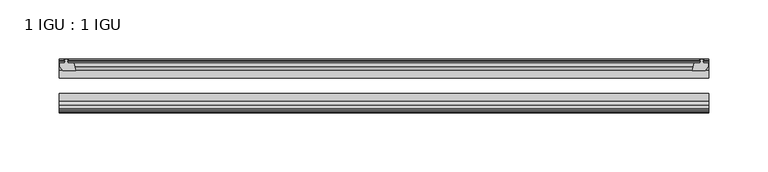
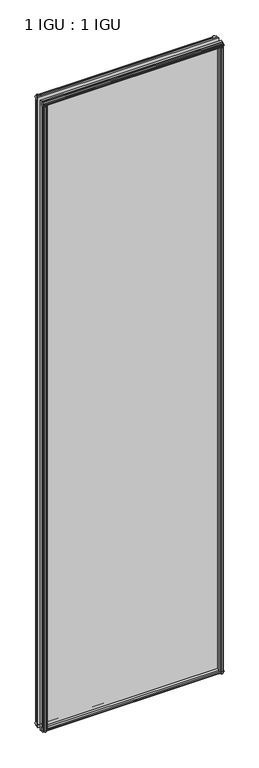
"""IFC4 building model written with IfcOpenShell, lengths in millimetres: plate geometry, 1 IGU : 1 IGU."""

from ifc_helpers import new_model, si_unit, frame, origin, place, context, project, spatial, polyline, outline, extrude, source, transform, mapped, element, save


def plate_1_igu_1_igu_7bb10c15(model_context):
    return source(origin(), model_context, "Body", "SweptSolid", [
        extrude(outline(polyline([(265.8155909, -10.4746158), (267.99312, -9.7670938), (270.170649, -10.4746158), (270.170649, -11.27583), (268.75512, -10.8158968), (269.13612, -13.1960938), (273.58112, -13.1960938), (273.58112, -16.1424938), (270.7467778, -19.5460938), (259.9254019, -19.5460938), (261.64312, -13.1960938), (266.85012, -13.1960938), (267.23112, -10.8158968), (265.8155909, -11.27583), (265.8155909, -10.4746158)])), frame((0.0, 0.0, -12.4587), z_axis=(0.0, 0.0, 1.0), x_axis=(1.0, 0.0, 0.0)), (0.0, 0.0, 1.0), 2018.8173999),
        extrude(outline(polyline([(-267.99312, -9.7670937), (-265.8155909, -10.4746158), (-265.8155909, -11.27583), (-267.23112, -10.8158968), (-266.85012, -13.1960937), (-261.64312, -13.1960937), (-259.9254019, -19.5460937), (-270.7467778, -19.5460937), (-273.58112, -16.1424937), (-273.58112, -13.1960937), (-269.13612, -13.1960937), (-268.75512, -10.8158968), (-270.170649, -11.27583), (-270.170649, -10.4746158), (-267.99312, -9.7670937)])), frame((0.0, 0.0, -12.4587), z_axis=(0.0, 0.0, 1.0), x_axis=(1.0, 0.0, 0.0)), (0.0, 0.0, 1.0), 2018.8173999),
        extrude(outline(polyline([(259.4080039, -44.9460938), (270.2293798, -44.9460938), (273.0637219, -48.3496938), (273.0637219, -51.2960938), (268.6187219, -51.2960938), (268.2377219, -53.6762907), (269.653251, -53.2163575), (269.653251, -54.0175717), (267.4757219, -54.7250938), (265.2981929, -54.0175717), (265.2981929, -53.2163575), (266.7137219, -53.6762907), (266.3327219, -51.2960938), (261.1257219, -51.2960938), (259.4080039, -44.9460938)])), frame((0.0, 0.0, -12.4587), z_axis=(0.0, 0.0, 1.0), x_axis=(1.0, 0.0, 0.0)), (0.0, 0.0, 1.0), 2006.1173999),
        extrude(outline(polyline([(-259.4047019, -44.9460937), (-261.12242, -51.2960937), (-266.32942, -51.2960937), (-266.71042, -53.6762907), (-265.2948909, -53.2163575), (-265.2948909, -54.0175717), (-267.47242, -54.7250937), (-269.649949, -54.0175717), (-269.649949, -53.2163575), (-268.23442, -53.6762907), (-268.61542, -51.2960937), (-273.06042, -51.2960937), (-273.06042, -48.3496937), (-270.2260778, -44.9460937), (-259.4047019, -44.9460937)])), frame((0.0, 0.0, -12.4587), z_axis=(0.0, 0.0, 1.0), x_axis=(1.0, 0.0, 0.0)), (0.0, 0.0, 1.0), 2006.1173999),
        extrude(outline(polyline([(-10.4746158, -4.6931709), (-9.7670937, -6.8707), (-10.4746158, -9.0482291), (-11.27583, -9.0482291), (-10.8158968, -7.6327), (-13.1960937, -8.0137), (-13.1960937, -12.4587), (-16.1424937, -12.4587), (-19.5460937, -9.6243578), (-19.5460937, 1.1970181), (-13.1960937, -0.5207), (-13.1960937, -5.7277), (-10.8158968, -6.1087), (-11.27583, -4.6931709), (-10.4746158, -4.6931709)])), frame((-273.82242, 0.0, 0.0), z_axis=(1.0, 0.0, 0.0), x_axis=(0.0, 1.0, 0.0)), (0.0, 0.0, 1.0), 547.6448399),
        extrude(outline(polyline([(-44.9460937, 1.7177181), (-44.9460937, -9.1036578), (-48.3496937, -11.938), (-51.2960937, -11.938), (-51.2960937, -7.493), (-53.6762907, -7.112), (-53.2163575, -8.5275291), (-54.0175717, -8.5275291), (-54.7250937, -6.35), (-54.0175717, -4.1724709), (-53.2163575, -4.1724709), (-53.6762907, -5.588), (-51.2960937, -5.207), (-51.2960937, 0.0), (-44.9460937, 1.7177181)])), frame((-273.82242, 0.0, 0.0), z_axis=(1.0, 0.0, 0.0), x_axis=(0.0, 1.0, 0.0)), (0.0, 0.0, 1.0), 547.6448399),
        extrude(outline(polyline([(-10.8158968, 2001.5326999), (-11.27583, 2002.948229), (-10.4746158, 2002.948229), (-9.7670937, 2000.7706999), (-10.4746158, 1998.5931709), (-11.27583, 1998.5931709), (-10.8158968, 2000.0086999), (-13.1960937, 1999.6276999), (-13.1960937, 1994.4206999), (-19.5460938, 1992.7029819), (-19.5460938, 2003.5243578), (-16.1424937, 2006.3586999), (-13.1960937, 2006.3586999), (-13.1960937, 2001.9136999), (-10.8158968, 2001.5326999)])), frame((-273.82242, 0.0, 0.0), z_axis=(1.0, 0.0, 0.0), x_axis=(0.0, 1.0, 0.0)), (0.0, 0.0, 1.0), 547.6448399),
        extrude(outline(polyline([(-51.2960937, 2005.8379999), (-48.3496937, 2005.8379999), (-44.9460938, 2003.0036578), (-44.9460938, 1992.1822819), (-51.2960937, 1993.8999999), (-51.2960937, 1999.1069999), (-53.6762907, 1999.4879999), (-53.2163575, 1998.0724709), (-54.0175717, 1998.0724709), (-54.7250937, 2000.2499999), (-54.0175717, 2002.427529), (-53.2163575, 2002.427529), (-53.6762907, 2001.0119999), (-51.2960937, 2001.3929999), (-51.2960937, 2005.8379999)])), frame((-273.82242, 0.0, 0.0), z_axis=(1.0, 0.0, 0.0), x_axis=(0.0, 1.0, 0.0)), (0.0, 0.0, 1.0), 547.6448399),
        extrude(outline(polyline([(-273.82242, -38.9186738), (273.82242, -38.9186738), (273.82242, -44.9460937), (-273.82242, -44.9460937), (-273.82242, -38.9186738)])), frame((0.0, 0.0, -12.7), z_axis=(0.0, 0.0, 1.0), x_axis=(1.0, 0.0, 0.0)), (0.0, 0.0, 1.0), 2019.2999999),
        extrude(outline(polyline([(-273.82242, -19.5460937), (273.82242, -19.5460937), (273.82242, -25.8960938), (-273.82242, -25.8960938), (-273.82242, -19.5460937)])), frame((0.0, 0.0, -12.7), z_axis=(0.0, 0.0, 1.0), x_axis=(1.0, 0.0, 0.0)), (0.0, 0.0, 1.0), 2019.2999999),
    ])


if __name__ == "__main__":
    model = new_model("IFC4")
    model_context = context("Model", 3, world=origin())
    ifc_project = project(units=[si_unit("LENGTHUNIT", "METRE", prefix="MILLI")], contexts=[model_context])
    site = spatial("IfcSite", under=ifc_project)
    building = spatial("IfcBuilding", under=site)
    placement = place(None, origin())
    plate_1_igu_1_igu_shape = plate_1_igu_1_igu_7bb10c15(model_context)
    element("IfcPlate", 1, ObjectType="1 IGU : 1 IGU", at=placement, inside=building, context=model_context, shape_type="MappedRepresentation", body=[
        mapped(plate_1_igu_1_igu_shape, transform((0.0, 0.0, 0.0), x_axis=(1.0, 0.0, 0.0), y_axis=(0.0, 1.0, 0.0), z_axis=(0.0, 0.0, 1.0))),
    ])
    save(model, "model.ifc")
